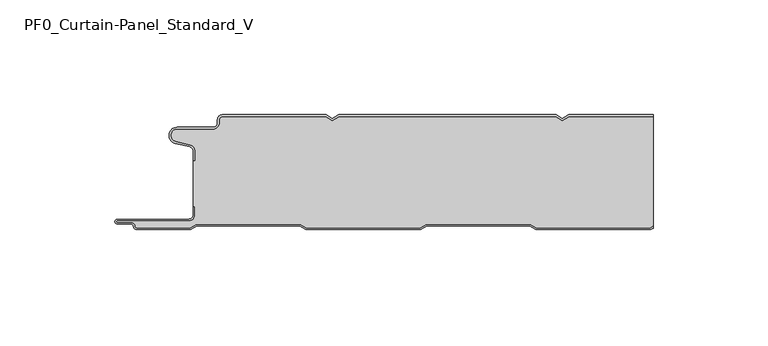
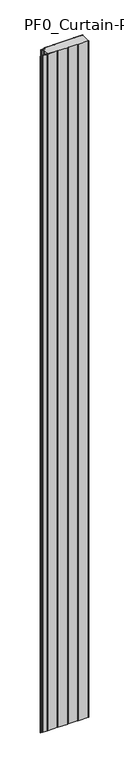
"""IFC4 building model written with IfcOpenShell, lengths in millimetres: plate geometry, PF0_Curtain-Panel_Standard_V."""

from ifc_helpers import new_model, si_unit, point, frame_2d, origin, origin_with_axes, place, context, project, spatial, polyline, circle_curve, trimmed, segment, composite_curve, outline, extrude, source, transform, mapped, element, save


def pf0_curtain_panel_standard_v_149bd2a8(model_context):
    return source(origin(), model_context, "Body", "SweptSolid", [
        extrude(outline(composite_curve([segment(trimmed(circle_curve(frame_2d((-102.0119739, -15.878557)), 2.0), [point((-100.0119739, -15.878557))], [point((-101.5620718, -13.9298169))], True, "CARTESIAN"), True, "CONTINUOUS"), segment(polyline([(-101.5620718, -13.9298169), (-107.7217978, -12.507732)]), True, "CONTINUOUS"), segment(trimmed(circle_curve(frame_2d((-106.9119739, -9.0)), 3.6), [point((-107.7217978, -12.507732))], [point((-106.9119739, -5.4))], False, "CARTESIAN"), True, "CONTINUOUS"), segment(polyline([(-106.9119739, -5.4), (-91.4119739, -5.4)]), True, "CONTINUOUS"), segment(trimmed(circle_curve(frame_2d((-91.4119739, -3.4)), 2.0), [point((-91.4119739, -5.4))], [point((-89.4119739, -3.4))], True, "CARTESIAN"), True, "CONTINUOUS"), segment(polyline([(-89.4119739, -3.4), (-89.4119739, -2.0)]), True, "CONTINUOUS"), segment(trimmed(circle_curve(frame_2d((-87.4119739, -2.0)), 2.0), [point((-89.4119739, -2.0))], [point((-87.4119739, 0.0))], False, "CARTESIAN"), True, "CONTINUOUS"), segment(polyline([(-87.4119739, 0.0), (-42.1119734, 0.0), (-39.4119739, -1.5588455), (-36.7119745, 0.0), (57.8880266, 0.0), (60.5880261, -1.5588455), (63.2880255, 0.0), (100.0119739, 0.0), (100.0119739, -0.8), (63.5023849, -0.8), (60.5880261, -2.482606), (57.6736672, -0.8), (-36.4976151, -0.8), (-39.4119739, -2.482606), (-42.3263328, -0.8), (-87.4119739, -0.8)]), True, "CONTINUOUS"), segment(trimmed(circle_curve(frame_2d((-87.4119739, -2.0)), 1.2), [point((-87.4119739, -0.8))], [point((-88.6119739, -2.0))], True, "CARTESIAN"), True, "CONTINUOUS"), segment(polyline([(-88.6119739, -2.0), (-88.6119739, -3.4)]), True, "CONTINUOUS"), segment(trimmed(circle_curve(frame_2d((-91.4119739, -3.4)), 2.8), [point((-88.6119739, -3.4))], [point((-91.4119739, -6.2))], False, "CARTESIAN"), True, "CONTINUOUS"), segment(polyline([(-91.4119739, -6.2), (-106.9119739, -6.2)]), True, "CONTINUOUS"), segment(trimmed(circle_curve(frame_2d((-106.9119739, -9.0)), 2.8), [point((-106.9119739, -6.2))], [point((-107.541837, -11.7282362))], True, "CARTESIAN"), True, "CONTINUOUS"), segment(polyline([(-107.541837, -11.7282362), (-101.3821109, -13.150321)]), True, "CONTINUOUS"), segment(trimmed(circle_curve(frame_2d((-102.0119739, -15.878557)), 2.8), [point((-101.3821109, -13.150321))], [point((-99.2119739, -15.878557))], False, "CARTESIAN"), True, "CONTINUOUS"), segment(polyline([(-99.2119739, -15.878557), (-99.2119739, -20.0), (-100.0119739, -20.0), (-100.0119739, -15.878557)]), True, "CONTINUOUS")], self_intersect=False)), origin_with_axes(), (0.0, 0.0, 1.0), 3500.0),
        extrude(outline(composite_curve([segment(polyline([(-99.2119739, -40.0), (-100.0119739, -40.0), (-100.0119739, -20.0), (-99.2119739, -20.0), (-99.2119739, -15.878557)]), True, "CONTINUOUS"), segment(trimmed(circle_curve(frame_2d((-102.0119739, -15.878557)), 2.8), [point((-99.2119739, -15.878557))], [point((-101.3821109, -13.1503208))], True, "CARTESIAN"), True, "CONTINUOUS"), segment(polyline([(-101.3821109, -13.1503208), (-107.5418369, -11.7282362)]), True, "CONTINUOUS"), segment(trimmed(circle_curve(frame_2d((-106.9119739, -9.0)), 2.8), [point((-107.5418369, -11.7282362))], [point((-106.9119739, -6.2))], False, "CARTESIAN"), True, "CONTINUOUS"), segment(polyline([(-106.9119739, -6.2), (-91.4119739, -6.2)]), True, "CONTINUOUS"), segment(trimmed(circle_curve(frame_2d((-91.4119739, -3.4)), 2.8), [point((-91.4119739, -6.2))], [point((-88.6119739, -3.4))], True, "CARTESIAN"), True, "CONTINUOUS"), segment(polyline([(-88.6119739, -3.4), (-88.6119739, -2.0)]), True, "CONTINUOUS"), segment(trimmed(circle_curve(frame_2d((-87.4119739, -2.0)), 1.2), [point((-88.6119739, -2.0))], [point((-87.4119739, -0.8))], False, "CARTESIAN"), True, "CONTINUOUS"), segment(polyline([(-87.4119739, -0.8), (-42.3263328, -0.8), (-39.4119739, -2.482606), (-36.4976151, -0.8), (57.6736672, -0.8), (60.5880261, -2.482606), (63.5023849, -0.8), (100.0119739, -0.8), (100.0119739, -48.4878024), (98.7784109, -49.2), (49.2032822, -49.2), (46.6052046, -47.7), (1.3764885, -47.7), (-1.2215891, -49.2), (-50.7967178, -49.2), (-53.3947954, -47.7), (-98.6235115, -47.7), (-101.2215891, -49.2), (-124.4119739, -49.2)]), True, "CONTINUOUS"), segment(trimmed(circle_curve(frame_2d((-124.4119739, -48.4)), 0.8), [point((-124.4119739, -49.2))], [point((-125.2119739, -48.4))], False, "CARTESIAN"), True, "CONTINUOUS"), segment(trimmed(circle_curve(frame_2d((-126.9119739, -48.6133333)), 1.7133333), [point((-125.2119739, -48.4))], [point((-126.9119739, -46.9))], True, "CARTESIAN"), True, "CONTINUOUS"), segment(polyline([(-126.9119739, -46.9), (-132.8820051, -46.9)]), True, "CONTINUOUS"), segment(trimmed(circle_curve(frame_2d((-132.8820051, -46.6)), 0.3), [point((-132.8820051, -46.9))], [point((-132.8820051, -46.3))], False, "CARTESIAN"), True, "CONTINUOUS"), segment(polyline([(-132.8820051, -46.3), (-102.0119739, -46.3)]), True, "CONTINUOUS"), segment(trimmed(circle_curve(frame_2d((-102.0119739, -43.5)), 2.8), [point((-102.0119739, -46.3))], [point((-99.2119739, -43.5))], True, "CARTESIAN"), True, "CONTINUOUS"), segment(polyline([(-99.2119739, -43.5), (-99.2119739, -40.0)]), True, "CONTINUOUS")], self_intersect=False)), origin_with_axes(), (0.0, 0.0, 1.0), 3500.0),
        extrude(outline(composite_curve([segment(polyline([(-100.0119739, -40.0), (-99.2119739, -40.0), (-99.2119739, -43.5)]), True, "CONTINUOUS"), segment(trimmed(circle_curve(frame_2d((-102.0119739, -43.5)), 2.8), [point((-99.2119739, -43.5))], [point((-102.0119739, -46.3))], False, "CARTESIAN"), True, "CONTINUOUS"), segment(polyline([(-102.0119739, -46.3), (-132.8820051, -46.3)]), True, "CONTINUOUS"), segment(trimmed(circle_curve(frame_2d((-132.8820051, -46.6)), 0.3), [point((-132.8820051, -46.3))], [point((-132.8820051, -46.9))], True, "CARTESIAN"), True, "CONTINUOUS"), segment(polyline([(-132.8820051, -46.9), (-126.9119739, -46.9)]), True, "CONTINUOUS"), segment(trimmed(circle_curve(frame_2d((-126.9119739, -48.6133333)), 1.7133333), [point((-126.9119739, -46.9))], [point((-125.2119739, -48.4))], False, "CARTESIAN"), True, "CONTINUOUS"), segment(trimmed(circle_curve(frame_2d((-124.4119739, -48.4)), 0.8), [point((-125.2119739, -48.4))], [point((-124.4119739, -49.2))], True, "CARTESIAN"), True, "CONTINUOUS"), segment(polyline([(-124.4119739, -49.2), (-101.2215891, -49.2), (-98.6235115, -47.7), (-53.3947954, -47.7), (-50.7967178, -49.2), (-1.2215891, -49.2), (1.3764885, -47.7), (46.6052046, -47.7), (49.2032822, -49.2), (98.7784109, -49.2), (100.0119739, -48.4878024), (100.0119739, -49.4115627), (98.9927701, -50.0), (48.988923, -50.0), (46.3908454, -48.5), (1.5908477, -48.5), (-1.0072299, -50.0), (-51.011077, -50.0), (-53.6091546, -48.5), (-98.4091523, -48.5), (-101.0072299, -50.0), (-124.4119739, -50.0)]), True, "CONTINUOUS"), segment(trimmed(circle_curve(frame_2d((-124.4119739, -48.4)), 1.6), [point((-124.4119739, -50.0))], [point((-126.0119739, -48.4))], False, "CARTESIAN"), True, "CONTINUOUS"), segment(trimmed(circle_curve(frame_2d((-126.9119739, -48.4)), 0.9), [point((-126.0119739, -48.4))], [point((-126.9119739, -47.5))], True, "CARTESIAN"), True, "CONTINUOUS"), segment(polyline([(-126.9119739, -47.5), (-133.0119739, -47.5)]), True, "CONTINUOUS"), segment(trimmed(circle_curve(frame_2d((-133.0119739, -46.5)), 1.0), [point((-133.0119739, -47.5))], [point((-133.0119739, -45.5))], False, "CARTESIAN"), True, "CONTINUOUS"), segment(polyline([(-133.0119739, -45.5), (-102.0119739, -45.5)]), True, "CONTINUOUS"), segment(trimmed(circle_curve(frame_2d((-102.0119739, -43.5)), 2.0), [point((-102.0119739, -45.5))], [point((-100.0119739, -43.5))], True, "CARTESIAN"), True, "CONTINUOUS"), segment(polyline([(-100.0119739, -43.5), (-100.0119739, -40.0)]), True, "CONTINUOUS")], self_intersect=False)), origin_with_axes(), (0.0, 0.0, 1.0), 3500.0),
    ])


if __name__ == "__main__":
    model = new_model("IFC4")
    model_context = context("Model", 3, world=origin())
    ifc_project = project(units=[si_unit("LENGTHUNIT", "METRE", prefix="MILLI")], contexts=[model_context])
    site = spatial("IfcSite", under=ifc_project)
    building = spatial("IfcBuilding", under=site)
    placement = place(None, origin())
    pf0_curtain_panel_standard_v_shape = pf0_curtain_panel_standard_v_149bd2a8(model_context)
    element("IfcPlate", 1, ObjectType="PF0_Curtain-Panel_Standard_V", at=placement, inside=building, context=model_context, shape_type="MappedRepresentation", body=[
        mapped(pf0_curtain_panel_standard_v_shape, transform((0.0, 0.0, 0.0), x_axis=(1.0, 0.0, 0.0), y_axis=(0.0, 1.0, 0.0), z_axis=(0.0, 0.0, 1.0))),
    ])
    save(model, "model.ifc")
